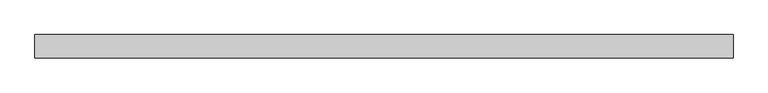
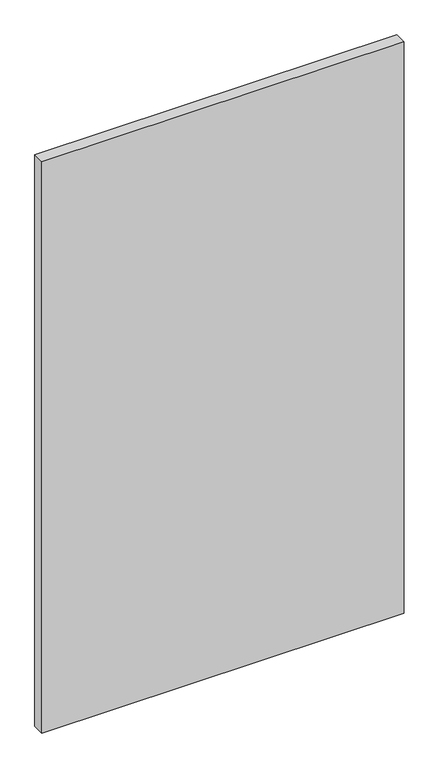
"""IFC4 building model written with IfcOpenShell, lengths in millimetres: proxy geometry."""

from ifc_helpers import new_model, si_unit, origin, origin_with_axes, place, context, project, spatial, polyline, outline, extrude, source, transform, mapped, element, save


def generic_models_22e05ade(model_context):
    return source(origin(), model_context, "Body", "SweptSolid", [
        extrude(outline(polyline([(750.0002857, -25.000048), (-750.0002853, -24.9999941), (-750.0002845, 25.000048), (750.0002853, 24.9999941), (750.0002857, -25.000048)])), origin_with_axes(), (0.0, 0.0, 1.0), 2500.0),
    ])


if __name__ == "__main__":
    model = new_model("IFC4")
    model_context = context("Model", 3, world=origin())
    ifc_project = project(units=[si_unit("LENGTHUNIT", "METRE", prefix="MILLI")], contexts=[model_context])
    site = spatial("IfcSite", under=ifc_project)
    building = spatial("IfcBuilding", under=site)
    placement = place(None, origin())
    generic_models_shape = generic_models_22e05ade(model_context)
    element("IfcBuildingElementProxy", 1, Name="Generic Models", at=placement, inside=building, context=model_context, shape_type="MappedRepresentation", body=[
        mapped(generic_models_shape, transform((0.0, 0.0, 0.0), x_axis=(1.0, 0.0, 0.0), y_axis=(0.0, 1.0, 0.0), z_axis=(0.0, 0.0, 1.0))),
    ])
    save(model, "model.ifc")
